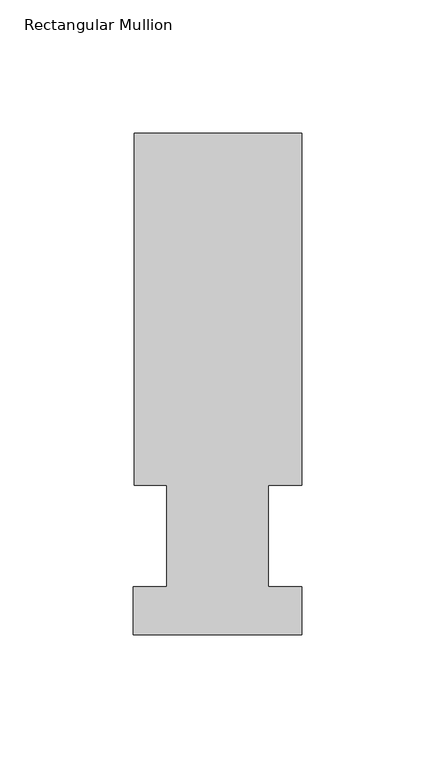
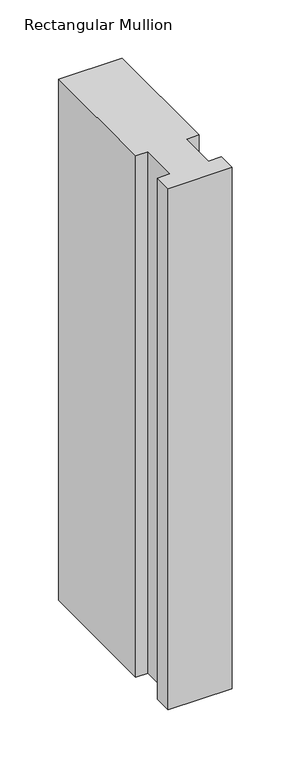
"""IFC4 building model written with IfcOpenShell, lengths in millimetres: member geometry, Rectangular Mullion."""

import ifcopenshell
import ifcopenshell.guid

model = None  # the IFC model being written
_history = None  # IfcOwnerHistory: only IFC2X3 demands one
_inside = {}  # id of a spatial element -> (the spatial element, [elements in it])
_under = {}  # id of a project, library or spatial element -> (it, [spatial elements below it])
_declared = {}  # id of a project -> (the project, [libraries it declares])
_typed = {}  # id of a type object -> (the type object, [elements of that type])
_made_of = {}  # id of a material, layer set ... -> (it, [elements and type objects made of it])


def new_model(schema):
    """Start an empty IFC model of exactly this schema.

    Asked for "IFC4X3", IfcOpenShell would pick the latest addendum, in which some entities
    have other attributes; the version numbers below select the first issue.
    IFC2X3 requires an IfcOwnerHistory on every rooted entity: one is made here for all.
    """
    global model, _history
    if schema == "IFC4X3":
        model = ifcopenshell.file(schema_version=(4, 3, 0, 0))
    else:
        model = ifcopenshell.file(schema=schema)
    _inside.clear()
    _under.clear()
    _declared.clear()
    _typed.clear()
    _made_of.clear()
    _history = None
    if model.schema == "IFC2X3":
        org = make("IfcOrganization", Name="unknown")
        user = make(
            "IfcPersonAndOrganization",
            ThePerson=make("IfcPerson", FamilyName="unknown"),
            TheOrganization=org,
        )
        app = make(
            "IfcApplication",
            ApplicationDeveloper=org,
            Version="unknown",
            ApplicationFullName="unknown",
            ApplicationIdentifier="unknown",
        )
        _history = make(
            "IfcOwnerHistory",
            OwningUser=user,
            OwningApplication=app,
            ChangeAction="ADDED",
            CreationDate=0,
        )
    return model


def make(cls, **values):
    """One entity of the class cls with the attributes given. An attribute that is None is left unset."""
    return model.create_entity(
        cls, **{name: value for name, value in values.items() if value is not None}
    )


def rooted(cls, **values):
    """An entity with a GlobalId (a new one), such as an element, a storey or a relation."""
    return make(cls, GlobalId=ifcopenshell.guid.new(), OwnerHistory=_history, **values)


def si_unit(unit_type, name, prefix=None):
    """IfcSIUnit, for example si_unit("LENGTHUNIT", "METRE", prefix="MILLI")."""
    return make("IfcSIUnit", UnitType=unit_type, Prefix=prefix, Name=name)


def assignment(units):
    """IfcUnitAssignment: the units of a project."""
    return None if units is None else make("IfcUnitAssignment", Units=units)


def point(xyz):
    """IfcCartesianPoint."""
    return None if xyz is None else make("IfcCartesianPoint", Coordinates=xyz)


def direction(xyz):
    """IfcDirection."""
    return None if xyz is None else make("IfcDirection", DirectionRatios=xyz)


def frame(location, z_axis=None, x_axis=None):
    """IfcAxis2Placement3D, a coordinate frame: its origin and axes. An axis left out is left unset."""
    return make(
        "IfcAxis2Placement3D",
        Location=point(location),
        Axis=direction(z_axis),
        RefDirection=direction(x_axis),
    )


def origin():
    """The frame at (0, 0, 0) with its axes left unset."""
    return frame((0.0, 0.0, 0.0))


def place(relative_to, where):
    """IfcLocalPlacement: puts the frame where relative to a parent placement (None: the world)."""
    return make(
        "IfcLocalPlacement", PlacementRelTo=relative_to, RelativePlacement=where
    )


def context(
    kind, dimensions, precision=None, world=None, true_north=None, identifier=None
):
    """IfcGeometricRepresentationContext, for example the 3D "Model" context."""
    return make(
        "IfcGeometricRepresentationContext",
        ContextIdentifier=identifier,
        ContextType=kind,
        CoordinateSpaceDimension=dimensions,
        Precision=precision,
        WorldCoordinateSystem=world,
        TrueNorth=true_north,
    )


def project(units=None, contexts=None):
    """IfcProject with its units and contexts."""
    return rooted(
        "IfcProject",
        Name="project",
        RepresentationContexts=contexts,
        UnitsInContext=assignment(units),
    )


def spatial(cls, under=None, at=None, **own):
    """A site, building, storey or space (cls), placed at a placement, below another one or the project."""
    s = rooted(cls, ObjectPlacement=at, **own)
    if under is not None:
        _under.setdefault(under.id(), (under, []))[1].append(s)
    return s


def polyline(points):
    """IfcPolyline through the points."""
    return make("IfcPolyline", Points=[point(p) for p in points])


def outline(outer, holes=None, kind="AREA"):
    """IfcArbitraryClosedProfileDef: a profile drawn as a closed curve; with holes, ...WithVoids."""
    if holes is None:
        return make("IfcArbitraryClosedProfileDef", ProfileType=kind, OuterCurve=outer)
    return make(
        "IfcArbitraryProfileDefWithVoids",
        ProfileType=kind,
        OuterCurve=outer,
        InnerCurves=holes,
    )


def extrude(swept, where, along, depth):
    """IfcExtrudedAreaSolid: the profile swept, set in the frame where, extruded along a direction by depth."""
    return make(
        "IfcExtrudedAreaSolid",
        SweptArea=swept,
        Position=where,
        ExtrudedDirection=direction(along),
        Depth=depth,
    )


def shape(context_of_items, identifier, shape_type, items):
    """IfcShapeRepresentation: the items that make up one representation, for example the "Body"."""
    return make(
        "IfcShapeRepresentation",
        ContextOfItems=context_of_items,
        RepresentationIdentifier=identifier,
        RepresentationType=shape_type,
        Items=items,
    )


def source(mapping_origin, context_of_items, identifier, shape_type, items):
    """IfcRepresentationMap: a shape defined once, which mapped items show again and again."""
    return make(
        "IfcRepresentationMap",
        MappingOrigin=mapping_origin,
        MappedRepresentation=shape(context_of_items, identifier, shape_type, items),
    )


def transform(
    local_origin,
    x_axis=None,
    y_axis=None,
    z_axis=None,
    scale=None,
    scale2=None,
    scale3=None,
    uniform=True,
):
    """IfcCartesianTransformationOperator3D, or its non-uniform kind. x_axis, y_axis, z_axis: its Axis1, 2, 3."""
    if uniform:
        return make(
            "IfcCartesianTransformationOperator3D",
            Axis1=direction(x_axis),
            Axis2=direction(y_axis),
            LocalOrigin=point(local_origin),
            Scale=scale,
            Axis3=direction(z_axis),
        )
    return make(
        "IfcCartesianTransformationOperator3DnonUniform",
        Axis1=direction(x_axis),
        Axis2=direction(y_axis),
        LocalOrigin=point(local_origin),
        Scale=scale,
        Axis3=direction(z_axis),
        Scale2=scale2,
        Scale3=scale3,
    )


def mapped(mapping_source, mapping_target):
    """IfcMappedItem: shows the shape of a source again, moved by a transform."""
    return make(
        "IfcMappedItem", MappingSource=mapping_source, MappingTarget=mapping_target
    )


def made_of(thing, what):
    """Note that an element or type object is made of a material, layer set ...; save() writes the relation."""
    if what is not None:
        _made_of.setdefault(what.id(), (what, []))[1].append(thing)
    return thing


def element(
    cls,
    number,
    at=None,
    inside=None,
    cuts=None,
    type_object=None,
    material=None,
    context=None,
    identifier="Body",
    shape_type=None,
    held_by="IfcProductDefinitionShape",
    body=None,
    shapes=None,
    **own,
):
    """One element of the class cls, such as IfcWall. Its Tag is "e" and its number.

    at: its placement. inside: the storey or other place that contains it. cuts: it is an
    opening in that element (IfcRelVoidsElement). A single representation is given by context,
    identifier, shape_type and body (its items); several are given by shapes. held_by: the class
    of the entity that holds the representations. save() writes the other relations.
    """
    e = rooted(cls, Tag="e%d" % number, ObjectPlacement=at, **own)
    if body is not None:
        shapes = [shape(context, identifier, shape_type, body)]
    if shapes is not None:
        e.Representation = make(held_by, Representations=shapes)
    if inside is not None:
        _inside.setdefault(inside.id(), (inside, []))[1].append(e)
    if cuts is not None:
        rooted(
            "IfcRelVoidsElement", RelatingBuildingElement=cuts, RelatedOpeningElement=e
        )
    if type_object is not None:
        _typed.setdefault(type_object.id(), (type_object, []))[1].append(e)
    return made_of(e, material)


def aggregate(whole, parts):
    """IfcRelAggregates: a whole, such as a stair, and the parts it consists of."""
    return rooted("IfcRelAggregates", RelatingObject=whole, RelatedObjects=parts)


def save(model, path):
    """Write the relations noted so far, then the file.

    IfcRelAggregates (storeys below a building ...), IfcRelContainedInSpatialStructure (elements
    in a storey), IfcRelDefinesByType, IfcRelAssociatesMaterial and IfcRelDeclares: one each for
    every whole, place, type object, material and project.
    """
    for whole, parts in _under.values():
        aggregate(whole, parts)
    for where, things in _inside.values():
        rooted(
            "IfcRelContainedInSpatialStructure",
            RelatedElements=things,
            RelatingStructure=where,
        )
    for kind, things in _typed.values():
        rooted("IfcRelDefinesByType", RelatedObjects=things, RelatingType=kind)
    for what, things in _made_of.values():
        rooted("IfcRelAssociatesMaterial", RelatedObjects=things, RelatingMaterial=what)
    for by, libraries in _declared.values():
        rooted("IfcRelDeclares", RelatingContext=by, RelatedDefinitions=libraries)
    model.write(path)


def rectangular_mullion_2056fdfc(model_context):
    return source(origin(), model_context, "Body", "SweptSolid", [
        extrude(outline(polyline([(-63.0936, 189.0895062), (0.0, 189.0895062), (0.0, 56.6539062), (-12.6746, 56.6539062), (-12.6746, 18.5539063), (0.0, 18.5539062), (0.0, 0.5199062), (-63.5, 0.5199062), (-63.5, 18.5539063), (-50.8, 18.5539063), (-50.8, 56.6539062), (-63.0936, 56.6539062), (-63.0936, 189.0895062)])), frame((0.0, 0.0, -546.1), z_axis=(0.0, 0.0, 1.0), x_axis=(1.0, 0.0, 0.0)), (0.0, 0.0, 1.0), 546.1),
    ])


if __name__ == "__main__":
    model = new_model("IFC4")
    model_context = context("Model", 3, world=origin())
    ifc_project = project(units=[si_unit("LENGTHUNIT", "METRE", prefix="MILLI")], contexts=[model_context])
    site = spatial("IfcSite", under=ifc_project)
    building = spatial("IfcBuilding", under=site)
    placement = place(None, origin())
    rectangular_mullion_shape = rectangular_mullion_2056fdfc(model_context)
    element("IfcMember", 1, ObjectType="Rectangular Mullion", at=placement, inside=building, context=model_context, shape_type="MappedRepresentation", body=[
        mapped(rectangular_mullion_shape, transform((0.0, 0.0, 0.0), x_axis=(1.0, 0.0, 0.0), y_axis=(0.0, 1.0, 0.0), z_axis=(0.0, 0.0, 1.0))),
    ])
    save(model, "model.ifc")
